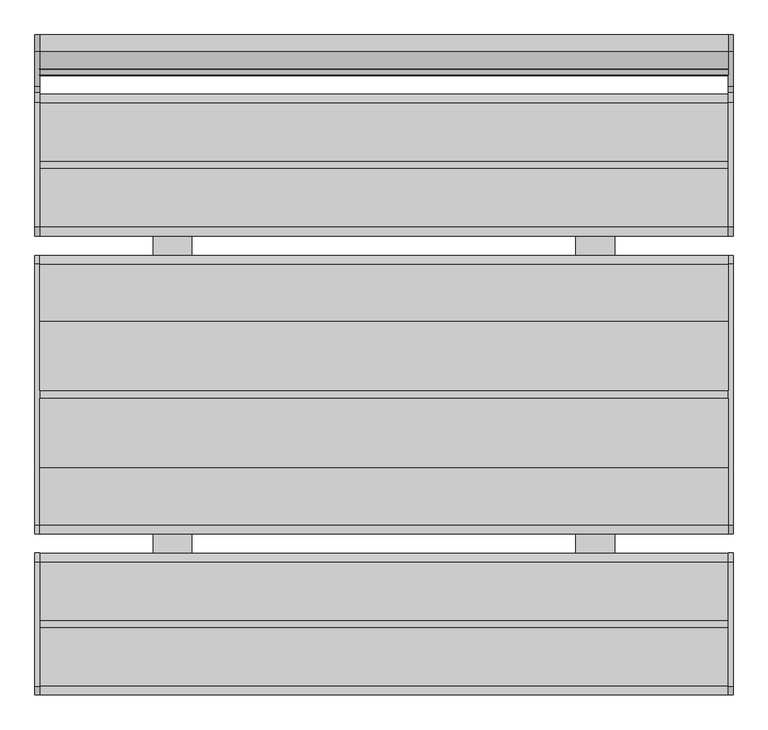
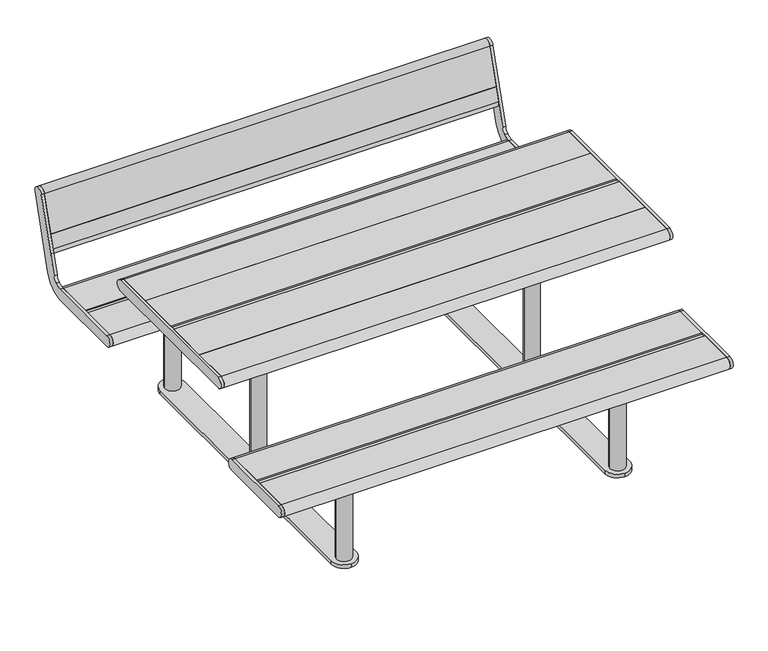
"""IFC4 building model written with IfcOpenShell, lengths in millimetres: furniture geometry."""

from ifc_helpers import new_model, si_unit, point, frame, frame_2d, origin, origin_with_axes, place, context, project, spatial, polyline, circle_curve, trimmed, segment, composite_curve, outline, extrude, source, transform, mapped, element, save


def furniture_37a5090a(model_context):
    return source(origin(), model_context, "Body", "SweptSolid", [
        extrude(outline(composite_curve([segment(polyline([(795.4837914, 481.5432734), (883.593709, 769.7378243)]), True, "CONTINUOUS"), segment(trimmed(circle_curve(frame_2d((905.1105656, 763.159461)), 22.4999996), [point((883.593709, 769.7378243))], [point((926.6274222, 756.5810977))], False, "CARTESIAN"), True, "CONTINUOUS"), segment(polyline([(926.6274222, 756.5810977), (838.5175055, 468.3865468)]), True, "CONTINUOUS"), segment(trimmed(circle_curve(frame_2d((752.4500772, 494.7000004)), 90.0000004), [point((838.5175055, 468.3865468))], [point((805.5692669, 422.0477344))], False, "CARTESIAN"), True, "CONTINUOUS"), segment(trimmed(circle_curve(frame_2d((752.4500772, 494.7000004)), 90.0000004), [point((805.5692669, 422.0477344))], [point((752.4500772, 404.7))], False, "CARTESIAN"), True, "CONTINUOUS"), segment(polyline([(752.4500772, 404.7), (431.5000002, 404.7)]), True, "CONTINUOUS"), segment(trimmed(circle_curve(frame_2d((431.5000002, 427.2000002)), 22.5000002), [point((431.5000002, 404.7))], [point((431.5037545, 449.7000001))], False, "CARTESIAN"), True, "CONTINUOUS"), segment(polyline([(431.5037545, 449.7000001), (752.4500772, 449.7000001)]), True, "CONTINUOUS"), segment(trimmed(circle_curve(frame_2d((752.4500772, 494.7000004)), 45.0000003), [point((752.4500772, 449.7000001))], [point((779.0096721, 458.3738673))], True, "CARTESIAN"), True, "CONTINUOUS"), segment(trimmed(circle_curve(frame_2d((752.4500772, 494.7000004)), 45.0000003), [point((779.0096721, 458.3738673))], [point((795.4837914, 481.5432734))], True, "CARTESIAN"), True, "CONTINUOUS")], self_intersect=False)), frame((-899.5, 0.0, 0.0), z_axis=(1.0, 0.0, 0.0), x_axis=(0.0, 1.0, 0.0)), (0.0, 0.0, 1.0), 12.0),
        extrude(outline(composite_curve([segment(trimmed(circle_curve(frame_2d((-431.5000002, 427.2000002)), 22.5000002), [point((-431.5037545, 449.7000001))], [point((-431.5000002, 404.7))], False, "CARTESIAN"), True, "CONTINUOUS"), segment(polyline([(-431.5000002, 404.7), (-752.4999998, 404.7)]), True, "CONTINUOUS"), segment(trimmed(circle_curve(frame_2d((-752.4999998, 427.2000002)), 22.5000002), [point((-752.4999998, 404.7))], [point((-752.4962455, 449.7000001))], False, "CARTESIAN"), True, "CONTINUOUS"), segment(polyline([(-752.4962455, 449.7000001), (-431.5037545, 449.7000001)]), True, "CONTINUOUS")], self_intersect=False)), frame((888.0, 0.0, 0.0), z_axis=(1.0, 0.0, 0.0), x_axis=(0.0, 1.0, 0.0)), (0.0, 0.0, 1.0), 12.0),
        extrude(outline(composite_curve([segment(trimmed(circle_curve(frame_2d((-431.5000002, 427.2000002)), 22.5000002), [point((-431.5037545, 449.7000001))], [point((-431.5000002, 404.7))], False, "CARTESIAN"), True, "CONTINUOUS"), segment(polyline([(-431.5000002, 404.7), (-752.4999998, 404.7)]), True, "CONTINUOUS"), segment(trimmed(circle_curve(frame_2d((-752.4999998, 427.2000002)), 22.5000002), [point((-752.4999998, 404.7))], [point((-752.4962455, 449.7000001))], False, "CARTESIAN"), True, "CONTINUOUS"), segment(polyline([(-752.4962455, 449.7000001), (-431.5037545, 449.7000001)]), True, "CONTINUOUS")], self_intersect=False)), frame((-899.5, 0.0, 0.0), z_axis=(1.0, 0.0, 0.0), x_axis=(0.0, 1.0, 0.0)), (0.0, 0.0, 1.0), 12.0),
        extrude(outline(composite_curve([segment(polyline([(839.5902234, 625.8089116), (882.6239374, 612.6521847), (866.1066825, 558.626679)]), True, "CONTINUOUS"), segment(trimmed(circle_curve(frame_2d((844.5898255, 565.2050425)), 22.5), [point((866.1066825, 558.626679))], [point((823.0729685, 571.7834059))], False, "CARTESIAN"), True, "CONTINUOUS"), segment(polyline([(823.0729685, 571.7834059), (839.5902234, 625.8089116)]), True, "CONTINUOUS")], self_intersect=False)), frame((-888.0, 0.0, 0.0), z_axis=(1.0, 0.0, 0.0), x_axis=(0.0, 1.0, 0.0)), (0.0, 0.0, 1.0), 1776.0),
        extrude(outline(composite_curve([segment(polyline([(882.6239374, 612.6521847), (839.5902234, 625.8089116), (883.5974263, 769.7499847)]), True, "CONTINUOUS"), segment(trimmed(circle_curve(frame_2d((905.1142833, 763.1716212)), 22.5), [point((883.5974263, 769.7499847))], [point((926.6311403, 756.5932578))], False, "CARTESIAN"), True, "CONTINUOUS"), segment(polyline([(926.6311403, 756.5932578), (882.6239374, 612.6521847)]), True, "CONTINUOUS")], self_intersect=False)), frame((-888.0, 0.0, 0.0), z_axis=(1.0, 0.0, 0.0), x_axis=(0.0, 1.0, 0.0)), (0.0, 0.0, 1.0), 1776.0),
        extrude(outline(composite_curve([segment(polyline([(795.4837914, 481.5432734), (883.593709, 769.7378243)]), True, "CONTINUOUS"), segment(trimmed(circle_curve(frame_2d((905.1105656, 763.159461)), 22.4999996), [point((883.593709, 769.7378243))], [point((926.6274222, 756.5810977))], False, "CARTESIAN"), True, "CONTINUOUS"), segment(polyline([(926.6274222, 756.5810977), (838.5175055, 468.3865468)]), True, "CONTINUOUS"), segment(trimmed(circle_curve(frame_2d((752.4500772, 494.7000004)), 90.0000004), [point((838.5175055, 468.3865468))], [point((805.5692669, 422.0477344))], False, "CARTESIAN"), True, "CONTINUOUS"), segment(trimmed(circle_curve(frame_2d((752.4500772, 494.7000004)), 90.0000004), [point((805.5692669, 422.0477344))], [point((752.4500772, 404.7))], False, "CARTESIAN"), True, "CONTINUOUS"), segment(polyline([(752.4500772, 404.7), (431.5000002, 404.7)]), True, "CONTINUOUS"), segment(trimmed(circle_curve(frame_2d((431.5000002, 427.2000002)), 22.5000002), [point((431.5000002, 404.7))], [point((431.5037545, 449.7000001))], False, "CARTESIAN"), True, "CONTINUOUS"), segment(polyline([(431.5037545, 449.7000001), (752.4500772, 449.7000001)]), True, "CONTINUOUS"), segment(trimmed(circle_curve(frame_2d((752.4500772, 494.7000004)), 45.0000003), [point((752.4500772, 449.7000001))], [point((779.0096721, 458.3738673))], True, "CARTESIAN"), True, "CONTINUOUS"), segment(trimmed(circle_curve(frame_2d((752.4500772, 494.7000004)), 45.0000003), [point((779.0096721, 458.3738673))], [point((795.4837914, 481.5432734))], True, "CARTESIAN"), True, "CONTINUOUS")], self_intersect=False)), frame((888.0, 0.0, 0.0), z_axis=(1.0, 0.0, 0.0), x_axis=(0.0, 1.0, 0.0)), (0.0, 0.0, 1.0), 12.0),
        extrude(outline(composite_curve([segment(trimmed(circle_curve(frame_2d((590.0, 120.0)), 5.0), [point((590.0, 125.0))], [point((595.0, 120.0))], False, "CARTESIAN"), True, "CONTINUOUS"), segment(polyline([(595.0, 120.0), (595.0, -120.0)]), True, "CONTINUOUS"), segment(trimmed(circle_curve(frame_2d((590.0, -120.0)), 5.0), [point((595.0, -120.0))], [point((590.0, -125.0))], False, "CARTESIAN"), True, "CONTINUOUS"), segment(polyline([(590.0, -125.0), (500.0, -125.0)]), True, "CONTINUOUS"), segment(trimmed(circle_curve(frame_2d((500.0, -120.0)), 5.0), [point((500.0, -125.0))], [point((495.0, -120.0))], False, "CARTESIAN"), True, "CONTINUOUS"), segment(polyline([(495.0, -120.0), (495.0, 120.0)]), True, "CONTINUOUS"), segment(trimmed(circle_curve(frame_2d((500.0, 120.0)), 5.0), [point((495.0, 120.0))], [point((500.0, 125.0))], False, "CARTESIAN"), True, "CONTINUOUS"), segment(polyline([(500.0, 125.0), (590.0, 125.0)]), True, "CONTINUOUS")], self_intersect=False)), frame((0.0, 0.0, 679.0), z_axis=(0.0, 0.0, 1.0), x_axis=(1.0, 0.0, 0.0)), (0.0, 0.0, 1.0), 7.85),
        extrude(outline(composite_curve([segment(trimmed(circle_curve(frame_2d((590.0, 295.0)), 5.0), [point((590.0, 300.0))], [point((595.0, 295.0))], False, "CARTESIAN"), True, "CONTINUOUS"), segment(polyline([(595.0, 295.0), (595.0, -295.0)]), True, "CONTINUOUS"), segment(trimmed(circle_curve(frame_2d((590.0, -295.0)), 5.0), [point((595.0, -295.0))], [point((590.0, -300.0))], False, "CARTESIAN"), True, "CONTINUOUS"), segment(polyline([(590.0, -300.0), (500.0, -300.0)]), True, "CONTINUOUS"), segment(trimmed(circle_curve(frame_2d((500.0, -295.0)), 5.0), [point((500.0, -300.0))], [point((495.0, -295.0))], False, "CARTESIAN"), True, "CONTINUOUS"), segment(polyline([(495.0, -295.0), (495.0, 295.0)]), True, "CONTINUOUS"), segment(trimmed(circle_curve(frame_2d((500.0, 295.0)), 5.0), [point((495.0, 295.0))], [point((500.0, 300.0))], False, "CARTESIAN"), True, "CONTINUOUS"), segment(polyline([(500.0, 300.0), (590.0, 300.0)]), True, "CONTINUOUS")], self_intersect=False)), frame((0.0, 0.0, 686.85), z_axis=(0.0, 0.0, 1.0), x_axis=(1.0, 0.0, 0.0)), (0.0, 0.0, 1.0), 7.85),
        extrude(outline(composite_curve([segment(polyline([(590.0, -717.0), (500.0, -717.0)]), True, "CONTINUOUS"), segment(trimmed(circle_curve(frame_2d((500.0, -712.0)), 5.0), [point((500.0, -717.0))], [point((495.0, -712.0))], False, "CARTESIAN"), True, "CONTINUOUS"), segment(polyline([(495.0, -712.0), (495.0, -472.0)]), True, "CONTINUOUS"), segment(trimmed(circle_curve(frame_2d((500.0, -472.0)), 5.0), [point((495.0, -472.0))], [point((500.0, -467.0))], False, "CARTESIAN"), True, "CONTINUOUS"), segment(polyline([(500.0, -467.0), (590.0, -467.0)]), True, "CONTINUOUS"), segment(trimmed(circle_curve(frame_2d((590.0, -472.0)), 5.0), [point((590.0, -467.0))], [point((595.0, -472.0))], False, "CARTESIAN"), True, "CONTINUOUS"), segment(polyline([(595.0, -472.0), (595.0, -712.0)]), True, "CONTINUOUS"), segment(trimmed(circle_curve(frame_2d((590.0, -712.0)), 5.0), [point((595.0, -712.0))], [point((590.0, -717.0))], False, "CARTESIAN"), True, "CONTINUOUS")], self_intersect=False)), frame((0.0, 0.0, 389.0), z_axis=(0.0, 0.0, 1.0), x_axis=(1.0, 0.0, 0.0)), (0.0, 0.0, 1.0), 15.7),
        extrude(outline(composite_curve([segment(trimmed(circle_curve(frame_2d((590.0, 712.0)), 5.0), [point((590.0, 717.0))], [point((595.0, 712.0))], False, "CARTESIAN"), True, "CONTINUOUS"), segment(polyline([(595.0, 712.0), (595.0, 472.0)]), True, "CONTINUOUS"), segment(trimmed(circle_curve(frame_2d((590.0, 472.0)), 5.0), [point((595.0, 472.0))], [point((590.0, 467.0))], False, "CARTESIAN"), True, "CONTINUOUS"), segment(polyline([(590.0, 467.0), (500.0, 467.0)]), True, "CONTINUOUS"), segment(trimmed(circle_curve(frame_2d((500.0, 472.0)), 5.0), [point((500.0, 467.0))], [point((495.0, 472.0))], False, "CARTESIAN"), True, "CONTINUOUS"), segment(polyline([(495.0, 472.0), (495.0, 712.0)]), True, "CONTINUOUS"), segment(trimmed(circle_curve(frame_2d((500.0, 712.0)), 5.0), [point((495.0, 712.0))], [point((500.0, 717.0))], False, "CARTESIAN"), True, "CONTINUOUS"), segment(polyline([(500.0, 717.0), (590.0, 717.0)]), True, "CONTINUOUS")], self_intersect=False)), frame((0.0, 0.0, 389.0), z_axis=(0.0, 0.0, 1.0), x_axis=(1.0, 0.0, 0.0)), (0.0, 0.0, 1.0), 15.7),
        extrude(outline(composite_curve([segment(trimmed(circle_curve(frame_2d((545.0, 0.0)), 30.0), [point((575.0, 0.0))], [point((515.0, 0.0))], False, "CARTESIAN"), True, "CONTINUOUS"), segment(trimmed(circle_curve(frame_2d((545.0, 0.0)), 30.0), [point((515.0, 0.0))], [point((575.0, 0.0))], False, "CARTESIAN"), True, "CONTINUOUS")], self_intersect=False)), frame((0.0, 0.0, 15.0), z_axis=(0.0, 0.0, 1.0), x_axis=(1.0, 0.0, 0.0)), (0.0, 0.0, 1.0), 664.0),
        extrude(outline(composite_curve([segment(trimmed(circle_curve(frame_2d((545.0, -592.0)), 30.0), [point((575.0, -592.0))], [point((515.0, -592.0))], False, "CARTESIAN"), True, "CONTINUOUS"), segment(trimmed(circle_curve(frame_2d((545.0, -592.0)), 30.0), [point((515.0, -592.0))], [point((575.0, -592.0))], False, "CARTESIAN"), True, "CONTINUOUS")], self_intersect=False)), frame((0.0, 0.0, 15.0), z_axis=(0.0, 0.0, 1.0), x_axis=(1.0, 0.0, 0.0)), (0.0, 0.0, 1.0), 374.0),
        extrude(outline(composite_curve([segment(trimmed(circle_curve(frame_2d((545.0, 592.0)), 30.0), [point((575.0, 592.0))], [point((515.0, 592.0))], False, "CARTESIAN"), True, "CONTINUOUS"), segment(trimmed(circle_curve(frame_2d((545.0, 592.0)), 30.0), [point((515.0, 592.0))], [point((575.0, 592.0))], False, "CARTESIAN"), True, "CONTINUOUS")], self_intersect=False)), frame((0.0, 0.0, 15.0), z_axis=(0.0, 0.0, 1.0), x_axis=(1.0, 0.0, 0.0)), (0.0, 0.0, 1.0), 374.0),
        extrude(outline(composite_curve([segment(polyline([(-590.0, 125.0), (-500.0, 125.0)]), True, "CONTINUOUS"), segment(trimmed(circle_curve(frame_2d((-500.0, 120.0)), 5.0), [point((-500.0, 125.0))], [point((-495.0, 120.0))], False, "CARTESIAN"), True, "CONTINUOUS"), segment(polyline([(-495.0, 120.0), (-495.0, -120.0)]), True, "CONTINUOUS"), segment(trimmed(circle_curve(frame_2d((-500.0, -120.0)), 5.0), [point((-495.0, -120.0))], [point((-500.0, -125.0))], False, "CARTESIAN"), True, "CONTINUOUS"), segment(polyline([(-500.0, -125.0), (-590.0, -125.0)]), True, "CONTINUOUS"), segment(trimmed(circle_curve(frame_2d((-590.0, -120.0)), 5.0), [point((-590.0, -125.0))], [point((-595.0, -120.0))], False, "CARTESIAN"), True, "CONTINUOUS"), segment(polyline([(-595.0, -120.0), (-595.0, 120.0)]), True, "CONTINUOUS"), segment(trimmed(circle_curve(frame_2d((-590.0, 120.0)), 5.0), [point((-595.0, 120.0))], [point((-590.0, 125.0))], False, "CARTESIAN"), True, "CONTINUOUS")], self_intersect=False)), frame((0.0, 0.0, 679.0), z_axis=(0.0, 0.0, 1.0), x_axis=(1.0, 0.0, 0.0)), (0.0, 0.0, 1.0), 7.85),
        extrude(outline(composite_curve([segment(polyline([(-590.0, 300.0), (-500.0, 300.0)]), True, "CONTINUOUS"), segment(trimmed(circle_curve(frame_2d((-500.0, 295.0)), 5.0), [point((-500.0, 300.0))], [point((-495.0, 295.0))], False, "CARTESIAN"), True, "CONTINUOUS"), segment(polyline([(-495.0, 295.0), (-495.0, -295.0)]), True, "CONTINUOUS"), segment(trimmed(circle_curve(frame_2d((-500.0, -295.0)), 5.0), [point((-495.0, -295.0))], [point((-500.0, -300.0))], False, "CARTESIAN"), True, "CONTINUOUS"), segment(polyline([(-500.0, -300.0), (-590.0, -300.0)]), True, "CONTINUOUS"), segment(trimmed(circle_curve(frame_2d((-590.0, -295.0)), 5.0), [point((-590.0, -300.0))], [point((-595.0, -295.0))], False, "CARTESIAN"), True, "CONTINUOUS"), segment(polyline([(-595.0, -295.0), (-595.0, 295.0)]), True, "CONTINUOUS"), segment(trimmed(circle_curve(frame_2d((-590.0, 295.0)), 5.0), [point((-595.0, 295.0))], [point((-590.0, 300.0))], False, "CARTESIAN"), True, "CONTINUOUS")], self_intersect=False)), frame((0.0, 0.0, 686.85), z_axis=(0.0, 0.0, 1.0), x_axis=(1.0, 0.0, 0.0)), (0.0, 0.0, 1.0), 7.85),
        extrude(outline(composite_curve([segment(trimmed(circle_curve(frame_2d((-590.0, -712.0)), 5.0), [point((-590.0, -717.0))], [point((-595.0, -712.0))], False, "CARTESIAN"), True, "CONTINUOUS"), segment(polyline([(-595.0, -712.0), (-595.0, -472.0)]), True, "CONTINUOUS"), segment(trimmed(circle_curve(frame_2d((-590.0, -472.0)), 5.0), [point((-595.0, -472.0))], [point((-590.0, -467.0))], False, "CARTESIAN"), True, "CONTINUOUS"), segment(polyline([(-590.0, -467.0), (-500.0, -467.0)]), True, "CONTINUOUS"), segment(trimmed(circle_curve(frame_2d((-500.0, -472.0)), 5.0), [point((-500.0, -467.0))], [point((-495.0, -472.0))], False, "CARTESIAN"), True, "CONTINUOUS"), segment(polyline([(-495.0, -472.0), (-495.0, -712.0)]), True, "CONTINUOUS"), segment(trimmed(circle_curve(frame_2d((-500.0, -712.0)), 5.0), [point((-495.0, -712.0))], [point((-500.0, -717.0))], False, "CARTESIAN"), True, "CONTINUOUS"), segment(polyline([(-500.0, -717.0), (-590.0, -717.0)]), True, "CONTINUOUS")], self_intersect=False)), frame((0.0, 0.0, 389.0), z_axis=(0.0, 0.0, 1.0), x_axis=(1.0, 0.0, 0.0)), (0.0, 0.0, 1.0), 15.7),
        extrude(outline(composite_curve([segment(polyline([(-590.0, 717.0), (-500.0, 717.0)]), True, "CONTINUOUS"), segment(trimmed(circle_curve(frame_2d((-500.0, 712.0)), 5.0), [point((-500.0, 717.0))], [point((-495.0, 712.0))], False, "CARTESIAN"), True, "CONTINUOUS"), segment(polyline([(-495.0, 712.0), (-495.0, 472.0)]), True, "CONTINUOUS"), segment(trimmed(circle_curve(frame_2d((-500.0, 472.0)), 5.0), [point((-495.0, 472.0))], [point((-500.0, 467.0))], False, "CARTESIAN"), True, "CONTINUOUS"), segment(polyline([(-500.0, 467.0), (-590.0, 467.0)]), True, "CONTINUOUS"), segment(trimmed(circle_curve(frame_2d((-590.0, 472.0)), 5.0), [point((-590.0, 467.0))], [point((-595.0, 472.0))], False, "CARTESIAN"), True, "CONTINUOUS"), segment(polyline([(-595.0, 472.0), (-595.0, 712.0)]), True, "CONTINUOUS"), segment(trimmed(circle_curve(frame_2d((-590.0, 712.0)), 5.0), [point((-595.0, 712.0))], [point((-590.0, 717.0))], False, "CARTESIAN"), True, "CONTINUOUS")], self_intersect=False)), frame((0.0, 0.0, 389.0), z_axis=(0.0, 0.0, 1.0), x_axis=(1.0, 0.0, 0.0)), (0.0, 0.0, 1.0), 15.7),
        extrude(outline(composite_curve([segment(trimmed(circle_curve(frame_2d((-545.0, 0.0)), 30.0), [point((-575.0, 0.0))], [point((-515.0, 0.0))], False, "CARTESIAN"), True, "CONTINUOUS"), segment(trimmed(circle_curve(frame_2d((-545.0, 0.0)), 30.0), [point((-515.0, 0.0))], [point((-575.0, 0.0))], False, "CARTESIAN"), True, "CONTINUOUS")], self_intersect=False)), frame((0.0, 0.0, 15.0), z_axis=(0.0, 0.0, 1.0), x_axis=(1.0, 0.0, 0.0)), (0.0, 0.0, 1.0), 664.0),
        extrude(outline(composite_curve([segment(trimmed(circle_curve(frame_2d((-545.0, -592.0)), 30.0), [point((-575.0, -592.0))], [point((-515.0, -592.0))], False, "CARTESIAN"), True, "CONTINUOUS"), segment(trimmed(circle_curve(frame_2d((-545.0, -592.0)), 30.0), [point((-515.0, -592.0))], [point((-575.0, -592.0))], False, "CARTESIAN"), True, "CONTINUOUS")], self_intersect=False)), frame((0.0, 0.0, 15.0), z_axis=(0.0, 0.0, 1.0), x_axis=(1.0, 0.0, 0.0)), (0.0, 0.0, 1.0), 374.0),
        extrude(outline(composite_curve([segment(trimmed(circle_curve(frame_2d((-545.0, 592.0)), 30.0), [point((-575.0, 592.0))], [point((-515.0, 592.0))], False, "CARTESIAN"), True, "CONTINUOUS"), segment(trimmed(circle_curve(frame_2d((-545.0, 592.0)), 30.0), [point((-515.0, 592.0))], [point((-575.0, 592.0))], False, "CARTESIAN"), True, "CONTINUOUS")], self_intersect=False)), frame((0.0, 0.0, 15.0), z_axis=(0.0, 0.0, 1.0), x_axis=(1.0, 0.0, 0.0)), (0.0, 0.0, 1.0), 374.0),
        extrude(outline(composite_curve([segment(polyline([(-595.0, -592.0), (-595.0, 592.0)]), True, "CONTINUOUS"), segment(trimmed(circle_curve(frame_2d((-545.0, 592.0)), 50.0), [point((-595.0, 592.0))], [point((-495.0, 592.0))], False, "CARTESIAN"), True, "CONTINUOUS"), segment(polyline([(-495.0, 592.0), (-495.0, -592.0)]), True, "CONTINUOUS"), segment(trimmed(circle_curve(frame_2d((-545.0, -592.0)), 50.0), [point((-495.0, -592.0))], [point((-545.0, -642.0))], False, "CARTESIAN"), True, "CONTINUOUS"), segment(trimmed(circle_curve(frame_2d((-545.0, -592.0)), 50.0), [point((-545.0, -642.0))], [point((-595.0, -592.0))], False, "CARTESIAN"), True, "CONTINUOUS")], self_intersect=False)), origin_with_axes(), (0.0, 0.0, 1.0), 15.0),
        extrude(outline(composite_curve([segment(trimmed(circle_curve(frame_2d((545.0, -592.0)), 50.0), [point((595.0, -592.0))], [point((545.0, -642.0))], False, "CARTESIAN"), True, "CONTINUOUS"), segment(trimmed(circle_curve(frame_2d((545.0, -592.0)), 50.0), [point((545.0, -642.0))], [point((495.0, -592.0))], False, "CARTESIAN"), True, "CONTINUOUS"), segment(polyline([(495.0, -592.0), (495.0, 592.0)]), True, "CONTINUOUS"), segment(trimmed(circle_curve(frame_2d((545.0, 592.0)), 50.0), [point((495.0, 592.0))], [point((595.0, 592.0))], False, "CARTESIAN"), True, "CONTINUOUS"), segment(polyline([(595.0, 592.0), (595.0, -592.0)]), True, "CONTINUOUS")], self_intersect=False)), origin_with_axes(), (0.0, 0.0, 1.0), 15.0),
        extrude(outline(composite_curve([segment(polyline([(602.0, 449.7), (752.4998424, 449.7)]), True, "CONTINUOUS"), segment(trimmed(circle_curve(frame_2d((752.4998424, 427.2)), 22.5), [point((752.4998424, 449.7))], [point((752.4998424, 404.7))], False, "CARTESIAN"), True, "CONTINUOUS"), segment(polyline([(752.4998424, 404.7), (602.0, 404.7), (602.0, 449.7)]), True, "CONTINUOUS")], self_intersect=False)), frame((-887.5, 0.0, 0.0), z_axis=(1.0, 0.0, 0.0), x_axis=(0.0, 1.0, 0.0)), (0.0, 0.0, 1.0), 1775.5),
        extrude(outline(composite_curve([segment(polyline([(-582.0, 449.7), (-431.5001576, 449.7)]), True, "CONTINUOUS"), segment(trimmed(circle_curve(frame_2d((-431.5001576, 427.2)), 22.5), [point((-431.5001576, 449.7))], [point((-431.5001576, 404.7))], False, "CARTESIAN"), True, "CONTINUOUS"), segment(polyline([(-431.5001576, 404.7), (-582.0, 404.7), (-582.0, 449.7)]), True, "CONTINUOUS")], self_intersect=False)), frame((-887.5, 0.0, 0.0), z_axis=(1.0, 0.0, 0.0), x_axis=(0.0, 1.0, 0.0)), (0.0, 0.0, 1.0), 1775.5),
        extrude(outline(composite_curve([segment(polyline([(-602.0, 449.7), (-602.0, 404.7), (-752.4998424, 404.7)]), True, "CONTINUOUS"), segment(trimmed(circle_curve(frame_2d((-752.4998424, 427.2)), 22.5), [point((-752.4998424, 404.7))], [point((-752.4998424, 449.7))], False, "CARTESIAN"), True, "CONTINUOUS"), segment(polyline([(-752.4998424, 449.7), (-602.0, 449.7)]), True, "CONTINUOUS")], self_intersect=False)), frame((-887.5, 0.0, 0.0), z_axis=(1.0, 0.0, 0.0), x_axis=(0.0, 1.0, 0.0)), (0.0, 0.0, 1.0), 1775.5),
        extrude(outline(polyline([(888.0, -582.0), (888.0, -602.0), (-887.5, -602.0), (-887.5, -582.0), (888.0, -582.0)])), frame((0.0, 0.0, 404.7), z_axis=(0.0, 0.0, 1.0), x_axis=(1.0, 0.0, 0.0)), (0.0, 0.0, 1.0), 40.0),
        extrude(outline(composite_curve([segment(polyline([(582.0, 449.7), (582.0, 404.7), (431.5001576, 404.7)]), True, "CONTINUOUS"), segment(trimmed(circle_curve(frame_2d((431.5001576, 427.2)), 22.5), [point((431.5001576, 404.7))], [point((431.5001576, 449.7))], False, "CARTESIAN"), True, "CONTINUOUS"), segment(polyline([(431.5001576, 449.7), (582.0, 449.7)]), True, "CONTINUOUS")], self_intersect=False)), frame((-887.5, 0.0, 0.0), z_axis=(1.0, 0.0, 0.0), x_axis=(0.0, 1.0, 0.0)), (0.0, 0.0, 1.0), 1775.5),
        extrude(outline(polyline([(888.0, 602.0), (888.0, 582.0), (-887.5, 582.0), (-887.5, 602.0), (888.0, 602.0)])), frame((0.0, 0.0, 404.7), z_axis=(0.0, 0.0, 1.0), x_axis=(1.0, 0.0, 0.0)), (0.0, 0.0, 1.0), 40.0),
        extrude(outline(polyline([(888.0, -10.0), (888.0, -187.75), (-887.5, -187.75), (-887.5, -10.0), (888.0, -10.0)])), frame((0.0, 0.0, 694.7), z_axis=(0.0, 0.0, 1.0), x_axis=(1.0, 0.0, 0.0)), (0.0, 0.0, 1.0), 45.0),
        extrude(outline(polyline([(888.0, 187.75), (888.0, 10.0), (-887.5, 10.0), (-887.5, 187.75), (888.0, 187.75)])), frame((0.0, 0.0, 694.7), z_axis=(0.0, 0.0, 1.0), x_axis=(1.0, 0.0, 0.0)), (0.0, 0.0, 1.0), 45.0),
        extrude(outline(composite_curve([segment(polyline([(187.75, 739.7), (336.4998635, 739.7)]), True, "CONTINUOUS"), segment(trimmed(circle_curve(frame_2d((336.4998635, 717.2)), 22.5), [point((336.4998635, 739.7))], [point((336.4998635, 694.7))], False, "CARTESIAN"), True, "CONTINUOUS"), segment(polyline([(336.4998635, 694.7), (187.75, 694.7), (187.75, 739.7)]), True, "CONTINUOUS")], self_intersect=False)), frame((-887.5, 0.0, 0.0), z_axis=(1.0, 0.0, 0.0), x_axis=(0.0, 1.0, 0.0)), (0.0, 0.0, 1.0), 1775.5),
        extrude(outline(composite_curve([segment(polyline([(-187.75, 739.7), (-187.75, 694.7), (-336.4998635, 694.7)]), True, "CONTINUOUS"), segment(trimmed(circle_curve(frame_2d((-336.4998635, 717.2)), 22.5), [point((-336.4998635, 694.7))], [point((-336.4998635, 739.7))], False, "CARTESIAN"), True, "CONTINUOUS"), segment(polyline([(-336.4998635, 739.7), (-187.75, 739.7)]), True, "CONTINUOUS")], self_intersect=False)), frame((-887.5, 0.0, 0.0), z_axis=(1.0, 0.0, 0.0), x_axis=(0.0, 1.0, 0.0)), (0.0, 0.0, 1.0), 1775.5),
        extrude(outline(polyline([(888.0, 10.0), (888.0, -10.0), (-887.5, -10.0), (-887.5, 10.0), (888.0, 10.0)])), frame((0.0, 0.0, 694.7), z_axis=(0.0, 0.0, 1.0), x_axis=(1.0, 0.0, 0.0)), (0.0, 0.0, 1.0), 40.0),
        extrude(outline(composite_curve([segment(trimmed(circle_curve(frame_2d((336.5, 717.2)), 22.5), [point((336.5, 739.7))], [point((336.5, 694.7))], False, "CARTESIAN"), True, "CONTINUOUS"), segment(polyline([(336.5, 694.7), (-336.5, 694.7)]), True, "CONTINUOUS"), segment(trimmed(circle_curve(frame_2d((-336.5, 717.2)), 22.5), [point((-336.5, 694.7))], [point((-336.5, 739.7))], False, "CARTESIAN"), True, "CONTINUOUS"), segment(polyline([(-336.5, 739.7), (336.5, 739.7)]), True, "CONTINUOUS")], self_intersect=False)), frame((888.0, 0.0, 0.0), z_axis=(1.0, 0.0, 0.0), x_axis=(0.0, 1.0, 0.0)), (0.0, 0.0, 1.0), 12.0),
        extrude(outline(composite_curve([segment(trimmed(circle_curve(frame_2d((336.5, 717.2)), 22.5), [point((336.5, 739.7))], [point((336.5, 694.7))], False, "CARTESIAN"), True, "CONTINUOUS"), segment(polyline([(336.5, 694.7), (-336.5, 694.7)]), True, "CONTINUOUS"), segment(trimmed(circle_curve(frame_2d((-336.5, 717.2)), 22.5), [point((-336.5, 694.7))], [point((-336.5, 739.7))], False, "CARTESIAN"), True, "CONTINUOUS"), segment(polyline([(-336.5, 739.7), (336.5, 739.7)]), True, "CONTINUOUS")], self_intersect=False)), frame((-899.5, 0.0, 0.0), z_axis=(1.0, 0.0, 0.0), x_axis=(0.0, 1.0, 0.0)), (0.0, 0.0, 1.0), 12.0),
    ])


if __name__ == "__main__":
    model = new_model("IFC4")
    model_context = context("Model", 3, world=origin())
    ifc_project = project(units=[si_unit("LENGTHUNIT", "METRE", prefix="MILLI")], contexts=[model_context])
    site = spatial("IfcSite", under=ifc_project)
    building = spatial("IfcBuilding", under=site)
    placement = place(None, origin())
    furniture_shape = furniture_37a5090a(model_context)
    element("IfcFurniture", 1, at=placement, inside=building, context=model_context, shape_type="MappedRepresentation", body=[
        mapped(furniture_shape, transform((0.0, 0.0, 0.0), x_axis=(1.0, 0.0, 0.0), y_axis=(0.0, 1.0, 0.0), z_axis=(0.0, 0.0, 1.0))),
    ])
    save(model, "model.ifc")
